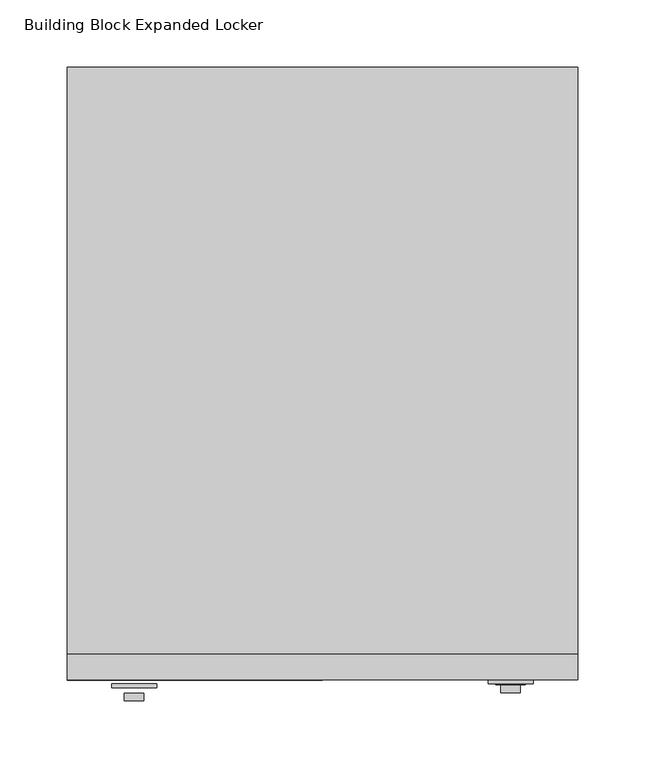
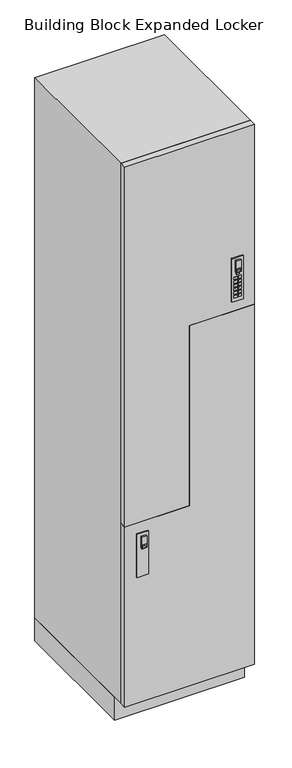
"""IFC4 building model written with IfcOpenShell, lengths in millimetres: furniture geometry, Building Block Expanded Locker."""

from ifc_helpers import new_model, si_unit, point, frame, frame_2d, origin, origin_with_axes, place, context, project, spatial, polyline, circle_curve, trimmed, segment, composite_curve, outline, extrude, source, transform, mapped, element, save


def building_block_expanded_locker_a296fde1(model_context):
    return source(origin(), model_context, "Body", "SweptSolid", [
        extrude(outline(polyline([(-54.8320153, -459.994), (-45.4340153, -459.994), (-45.4340153, -460.8078831), (-54.8320153, -460.8078831), (-54.8320153, -459.994)])), frame((0.0, 0.0, 1301.4787206), z_axis=(0.0, 0.0, 1.0), x_axis=(1.0, 0.0, 0.0)), (0.0, 0.0, 1.0), 4.8387031),
        extrude(outline(polyline([(-49.0145257, -459.994), (-39.1085257, -459.994), (-39.1085257, -460.8078831), (-49.0145257, -460.8078831), (-49.0145257, -459.994)])), frame((0.0, 0.0, 1264.92), z_axis=(0.0, 0.0, 1.0), x_axis=(1.0, 0.0, 0.0)), (0.0, 0.0, 1.0), 7.874),
        extrude(outline(polyline([(-49.0145257, -459.994), (-39.1085257, -459.994), (-39.1085257, -460.8078831), (-49.0145257, -460.8078831), (-49.0145257, -459.994)])), frame((0.0, 0.0, 1253.49), z_axis=(0.0, 0.0, 1.0), x_axis=(1.0, 0.0, 0.0)), (0.0, 0.0, 1.0), 7.874),
        extrude(outline(polyline([(-49.0145257, -459.994), (-39.1085257, -459.994), (-39.1085257, -460.8078831), (-49.0145257, -460.8078831), (-49.0145257, -459.994)])), frame((0.0, 0.0, 1287.78), z_axis=(0.0, 0.0, 1.0), x_axis=(1.0, 0.0, 0.0)), (0.0, 0.0, 1.0), 7.874),
        extrude(outline(polyline([(-49.0145257, -459.994), (-39.1085257, -459.994), (-39.1085257, -460.8078831), (-49.0145257, -460.8078831), (-49.0145257, -459.994)])), frame((0.0, 0.0, 1276.35), z_axis=(0.0, 0.0, 1.0), x_axis=(1.0, 0.0, 0.0)), (0.0, 0.0, 1.0), 7.874),
        extrude(outline(polyline([(-49.0145257, -459.994), (-39.1085257, -459.994), (-39.1085257, -460.8078831), (-49.0145257, -460.8078831), (-49.0145257, -459.994)])), frame((0.0, 0.0, 1242.06), z_axis=(0.0, 0.0, 1.0), x_axis=(1.0, 0.0, 0.0)), (0.0, 0.0, 1.0), 7.874),
        extrude(outline(polyline([(-49.0145257, -459.994), (-39.1085257, -459.994), (-39.1085257, -460.8078831), (-49.0145257, -460.8078831), (-49.0145257, -459.994)])), frame((0.0, 0.0, 1230.63), z_axis=(0.0, 0.0, 1.0), x_axis=(1.0, 0.0, 0.0)), (0.0, 0.0, 1.0), 7.874),
        extrude(outline(polyline([(-60.9674743, -459.994), (-51.0614743, -459.994), (-51.0614743, -460.8078831), (-60.9674743, -460.8078831), (-60.9674743, -459.994)])), frame((0.0, 0.0, 1264.92), z_axis=(0.0, 0.0, 1.0), x_axis=(1.0, 0.0, 0.0)), (0.0, 0.0, 1.0), 7.874),
        extrude(outline(polyline([(-60.9674743, -459.994), (-51.0614743, -459.994), (-51.0614743, -460.8078831), (-60.9674743, -460.8078831), (-60.9674743, -459.994)])), frame((0.0, 0.0, 1253.49), z_axis=(0.0, 0.0, 1.0), x_axis=(1.0, 0.0, 0.0)), (0.0, 0.0, 1.0), 7.874),
        extrude(outline(polyline([(-60.9674743, -459.994), (-51.0614743, -459.994), (-51.0614743, -460.8078831), (-60.9674743, -460.8078831), (-60.9674743, -459.994)])), frame((0.0, 0.0, 1287.78), z_axis=(0.0, 0.0, 1.0), x_axis=(1.0, 0.0, 0.0)), (0.0, 0.0, 1.0), 7.874),
        extrude(outline(polyline([(-60.9674743, -459.994), (-51.0614743, -459.994), (-51.0614743, -460.8078831), (-60.9674743, -460.8078831), (-60.9674743, -459.994)])), frame((0.0, 0.0, 1276.35), z_axis=(0.0, 0.0, 1.0), x_axis=(1.0, 0.0, 0.0)), (0.0, 0.0, 1.0), 7.874),
        extrude(outline(polyline([(-60.9674743, -459.994), (-51.0614743, -459.994), (-51.0614743, -460.8078831), (-60.9674743, -460.8078831), (-60.9674743, -459.994)])), frame((0.0, 0.0, 1242.06), z_axis=(0.0, 0.0, 1.0), x_axis=(1.0, 0.0, 0.0)), (0.0, 0.0, 1.0), 7.874),
        extrude(outline(polyline([(-60.9674743, -459.994), (-51.0614743, -459.994), (-51.0614743, -460.8078831), (-60.9674743, -460.8078831), (-60.9674743, -459.994)])), frame((0.0, 0.0, 1230.63), z_axis=(0.0, 0.0, 1.0), x_axis=(1.0, 0.0, 0.0)), (0.0, 0.0, 1.0), 7.874),
        extrude(outline(composite_curve([segment(trimmed(circle_curve(frame_2d((1337.3587407, -50.038)), 3.302), [point((1337.3587407, -46.736))], [point((1337.3587407, -53.34))], False, "CARTESIAN"), True, "CONTINUOUS"), segment(trimmed(circle_curve(frame_2d((1337.3587407, -50.038)), 3.302), [point((1337.3587407, -53.34))], [point((1337.3587407, -46.736))], False, "CARTESIAN"), True, "CONTINUOUS")], self_intersect=False)), frame((0.0, -461.01, 0.0), z_axis=(0.0, 1.0, 0.0), x_axis=(0.0, 0.0, 1.0)), (0.0, 0.0, 1.0), 1.016),
        extrude(outline(polyline([(1347.724, -57.277), (1311.148, -57.277), (1311.148, -42.799), (1347.724, -42.799), (1347.724, -57.277)]), holes=[polyline([(1313.5930696, -54.8320153), (1324.2284975, -54.8320153), (1324.2284975, -45.4340153), (1313.5930696, -45.4340153), (1313.5930696, -54.8320153)])]), frame((0.0, -466.852, 0.0), z_axis=(0.0, 1.0, 0.0), x_axis=(0.0, 0.0, 1.0)), (0.0, 0.0, 1.0), 5.842),
        extrude(outline(polyline([(-66.802, -457.2), (-33.274, -457.2), (-33.274, -459.994), (-66.802, -459.994), (-66.802, -457.2)])), frame((0.0, 0.0, 1219.454), z_axis=(0.0, 0.0, 1.0), x_axis=(1.0, 0.0, 0.0)), (0.0, 0.0, 1.0), 134.62),
        extrude(outline(polyline([(-326.1679847, -352.806), (-335.5659847, -352.806), (-335.5659847, -351.9921169), (-326.1679847, -351.9921169), (-326.1679847, -352.806)])), frame((0.0, 0.0, 546.5907206), z_axis=(0.0, 0.0, 1.0), x_axis=(1.0, 0.0, 0.0)), (0.0, 0.0, 1.0), 4.8387031),
        extrude(outline(polyline([(-331.9854743, -352.806), (-341.8914743, -352.806), (-341.8914743, -351.9921169), (-331.9854743, -351.9921169), (-331.9854743, -352.806)])), frame((0.0, 0.0, 510.032), z_axis=(0.0, 0.0, 1.0), x_axis=(1.0, 0.0, 0.0)), (0.0, 0.0, 1.0), 7.874),
        extrude(outline(polyline([(-331.9854743, -352.806), (-341.8914743, -352.806), (-341.8914743, -351.9921169), (-331.9854743, -351.9921169), (-331.9854743, -352.806)])), frame((0.0, 0.0, 498.602), z_axis=(0.0, 0.0, 1.0), x_axis=(1.0, 0.0, 0.0)), (0.0, 0.0, 1.0), 7.874),
        extrude(outline(polyline([(-331.9854743, -352.806), (-341.8914743, -352.806), (-341.8914743, -351.9921169), (-331.9854743, -351.9921169), (-331.9854743, -352.806)])), frame((0.0, 0.0, 532.892), z_axis=(0.0, 0.0, 1.0), x_axis=(1.0, 0.0, 0.0)), (0.0, 0.0, 1.0), 7.874),
        extrude(outline(polyline([(-331.9854743, -352.806), (-341.8914743, -352.806), (-341.8914743, -351.9921169), (-331.9854743, -351.9921169), (-331.9854743, -352.806)])), frame((0.0, 0.0, 521.462), z_axis=(0.0, 0.0, 1.0), x_axis=(1.0, 0.0, 0.0)), (0.0, 0.0, 1.0), 7.874),
        extrude(outline(polyline([(-331.9854743, -352.806), (-341.8914743, -352.806), (-341.8914743, -351.9921169), (-331.9854743, -351.9921169), (-331.9854743, -352.806)])), frame((0.0, 0.0, 487.172), z_axis=(0.0, 0.0, 1.0), x_axis=(1.0, 0.0, 0.0)), (0.0, 0.0, 1.0), 7.874),
        extrude(outline(polyline([(-331.9854743, -352.806), (-341.8914743, -352.806), (-341.8914743, -351.9921169), (-331.9854743, -351.9921169), (-331.9854743, -352.806)])), frame((0.0, 0.0, 475.742), z_axis=(0.0, 0.0, 1.0), x_axis=(1.0, 0.0, 0.0)), (0.0, 0.0, 1.0), 7.874),
        extrude(outline(polyline([(-320.0325257, -352.806), (-329.9385257, -352.806), (-329.9385257, -351.9921169), (-320.0325257, -351.9921169), (-320.0325257, -352.806)])), frame((0.0, 0.0, 510.032), z_axis=(0.0, 0.0, 1.0), x_axis=(1.0, 0.0, 0.0)), (0.0, 0.0, 1.0), 7.874),
        extrude(outline(polyline([(-320.0325257, -352.806), (-329.9385257, -352.806), (-329.9385257, -351.9921169), (-320.0325257, -351.9921169), (-320.0325257, -352.806)])), frame((0.0, 0.0, 498.602), z_axis=(0.0, 0.0, 1.0), x_axis=(1.0, 0.0, 0.0)), (0.0, 0.0, 1.0), 7.874),
        extrude(outline(polyline([(-320.0325257, -352.806), (-329.9385257, -352.806), (-329.9385257, -351.9921169), (-320.0325257, -351.9921169), (-320.0325257, -352.806)])), frame((0.0, 0.0, 532.892), z_axis=(0.0, 0.0, 1.0), x_axis=(1.0, 0.0, 0.0)), (0.0, 0.0, 1.0), 7.874),
        extrude(outline(polyline([(-320.0325257, -352.806), (-329.9385257, -352.806), (-329.9385257, -351.9921169), (-320.0325257, -351.9921169), (-320.0325257, -352.806)])), frame((0.0, 0.0, 521.462), z_axis=(0.0, 0.0, 1.0), x_axis=(1.0, 0.0, 0.0)), (0.0, 0.0, 1.0), 7.874),
        extrude(outline(polyline([(-320.0325257, -352.806), (-329.9385257, -352.806), (-329.9385257, -351.9921169), (-320.0325257, -351.9921169), (-320.0325257, -352.806)])), frame((0.0, 0.0, 487.172), z_axis=(0.0, 0.0, 1.0), x_axis=(1.0, 0.0, 0.0)), (0.0, 0.0, 1.0), 7.874),
        extrude(outline(polyline([(-320.0325257, -352.806), (-329.9385257, -352.806), (-329.9385257, -351.9921169), (-320.0325257, -351.9921169), (-320.0325257, -352.806)])), frame((0.0, 0.0, 475.742), z_axis=(0.0, 0.0, 1.0), x_axis=(1.0, 0.0, 0.0)), (0.0, 0.0, 1.0), 7.874),
        extrude(outline(composite_curve([segment(trimmed(circle_curve(frame_2d((582.4707407, -330.962)), 3.302), [point((582.4707407, -334.264))], [point((582.4707407, -327.66))], False, "CARTESIAN"), True, "CONTINUOUS"), segment(trimmed(circle_curve(frame_2d((582.4707407, -330.962)), 3.302), [point((582.4707407, -327.66))], [point((582.4707407, -334.264))], False, "CARTESIAN"), True, "CONTINUOUS")], self_intersect=False)), frame((0.0, -352.806, 0.0), z_axis=(0.0, 1.0, 0.0), x_axis=(0.0, 0.0, 1.0)), (0.0, 0.0, 1.0), 1.016),
        extrude(outline(polyline([(592.836, -323.723), (592.836, -338.201), (556.26, -338.201), (556.26, -323.723), (592.836, -323.723)]), holes=[polyline([(558.7050696, -326.1679847), (558.7050696, -335.5659847), (569.3404975, -335.5659847), (569.3404975, -326.1679847), (558.7050696, -326.1679847)])]), frame((0.0, -472.694, 0.0), z_axis=(0.0, 1.0, 0.0), x_axis=(0.0, 0.0, 1.0)), (0.0, 0.0, 1.0), 5.842),
        extrude(outline(polyline([(-314.198, -462.788), (-347.726, -462.788), (-347.726, -459.994), (-314.198, -459.994), (-314.198, -462.788)])), frame((0.0, 0.0, 464.566), z_axis=(0.0, 0.0, 1.0), x_axis=(1.0, 0.0, 0.0)), (0.0, 0.0, 1.0), 134.62),
        extrude(outline(polyline([(71.12, 0.0), (1188.72, 0.0), (1188.72, -190.5), (629.92, -190.5), (629.92, -381.0), (71.12, -381.0), (71.12, 0.0)])), frame((0.0, -457.2, 0.0), z_axis=(0.0, 1.0, 0.0), x_axis=(0.0, 0.0, 1.0)), (0.0, 0.0, 1.0), 19.05),
        extrude(outline(polyline([(1747.52, -381.0), (629.92, -381.0), (629.92, -190.5), (1188.72, -190.5), (1188.72, 0.0), (1747.52, 0.0), (1747.52, -381.0)])), frame((0.0, -457.2, 0.0), z_axis=(0.0, 1.0, 0.0), x_axis=(0.0, 0.0, 1.0)), (0.0, 0.0, 1.0), 19.05),
        extrude(outline(polyline([(0.0, 0.0), (0.0, -438.15), (-381.0, -438.15), (-381.0, 0.0), (0.0, 0.0)])), frame((0.0, 0.0, 71.12), z_axis=(0.0, 0.0, 1.0), x_axis=(1.0, 0.0, 0.0)), (0.0, 0.0, 1.0), 1676.4),
        extrude(outline(polyline([(0.0, -406.4), (-381.0, -406.4), (-381.0, 0.0), (0.0, 0.0), (0.0, -406.4)])), origin_with_axes(), (0.0, 0.0, 1.0), 71.12),
    ])


if __name__ == "__main__":
    model = new_model("IFC4")
    model_context = context("Model", 3, world=origin())
    ifc_project = project(units=[si_unit("LENGTHUNIT", "METRE", prefix="MILLI")], contexts=[model_context])
    site = spatial("IfcSite", under=ifc_project)
    building = spatial("IfcBuilding", under=site)
    placement = place(None, origin())
    building_block_expanded_locker_shape = building_block_expanded_locker_a296fde1(model_context)
    element("IfcFurniture", 1, ObjectType="Building Block Expanded Locker", at=placement, inside=building, context=model_context, shape_type="MappedRepresentation", body=[
        mapped(building_block_expanded_locker_shape, transform((0.0, 0.0, 0.0), x_axis=(1.0, 0.0, 0.0), y_axis=(0.0, 1.0, 0.0), z_axis=(0.0, 0.0, 1.0))),
    ])
    save(model, "model.ifc")
